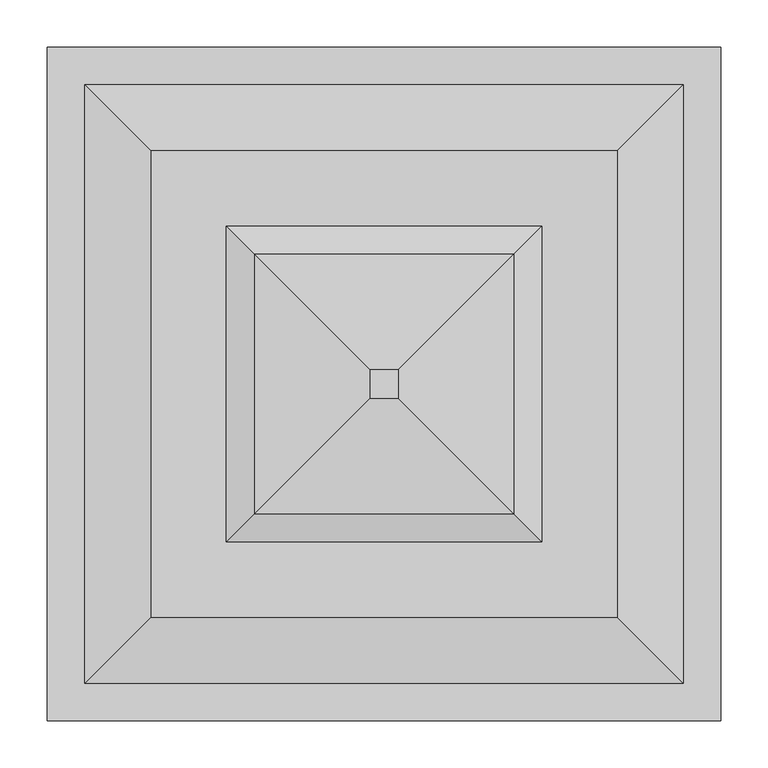
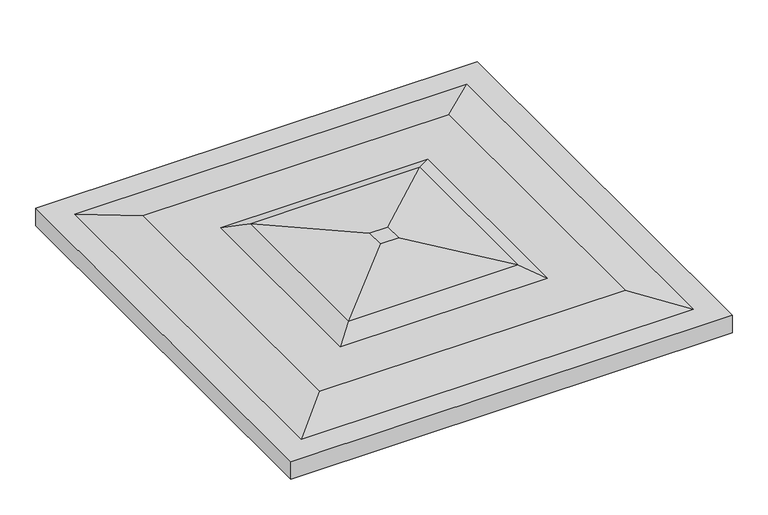
"""IFC4 building model written with IfcOpenShell, lengths in millimetres: proxy geometry."""

from ifc_helpers import new_model, si_unit, origin, place, context, project, spatial, faceted_brep, source, transform, mapped, element, save


def specialty_equipment_69d38c90(model_context):
    return source(origin(), model_context, "Body", "Brep", [
        faceted_brep([(-1515.0, 357.5, 30.0), (-800.0, 357.5, 30.0), (-800.0, 357.5, 0.0), (-1515.0, 357.5, 0.0), (-800.0, -357.5, 30.0), (-1515.0, -357.5, 30.0), (-1515.0, -357.5, 0.0), (-800.0, -357.5, 0.0), (-1475.0, 317.5, 30.0), (-1475.0, -317.5, 30.0), (-1405.0, -247.5, 45.0), (-1405.0, 247.5, 45.0), (-910.0, -247.5, 45.0), (-910.0, 247.5, 45.0), (-1325.0, 167.5, 45.0), (-990.0, 167.5, 45.0), (-990.0, -167.5, 45.0), (-1325.0, -167.5, 45.0), (-1295.0, -137.5, 60.0), (-1295.0, 137.5, 60.0), (-1172.5, -15.0, 75.0), (-1172.5, 15.0, 75.0), (-1142.5, -15.0, 75.0), (-1142.5, 15.0, 75.0), (-1020.0, -137.5, 60.0), (-1020.0, 137.5, 60.0), (-840.0, -317.5, 30.0), (-840.0, 317.5, 30.0)], [[[0, 1, 2, 3]], [[4, 5, 6, 7]], [[8, 9, 10, 11]], [[11, 10, 12, 13], [14, 15, 16, 17]], [[14, 17, 18, 19]], [[19, 18, 20, 21]], [[21, 20, 22, 23]], [[23, 22, 24, 25]], [[25, 24, 16, 15]], [[13, 12, 26, 27]], [[1, 0, 5, 4], [26, 9, 8, 27]], [[2, 1, 4, 7]], [[3, 2, 7, 6]], [[5, 0, 3, 6]], [[18, 24, 22, 20]], [[25, 19, 21, 23]], [[19, 25, 15, 14]], [[11, 13, 27, 8]], [[12, 10, 9, 26]], [[24, 18, 17, 16]]]),
    ])


if __name__ == "__main__":
    model = new_model("IFC4")
    model_context = context("Model", 3, world=origin())
    ifc_project = project(units=[si_unit("LENGTHUNIT", "METRE", prefix="MILLI")], contexts=[model_context])
    site = spatial("IfcSite", under=ifc_project)
    building = spatial("IfcBuilding", under=site)
    placement = place(None, origin())
    specialty_equipment_shape = specialty_equipment_69d38c90(model_context)
    element("IfcBuildingElementProxy", 1, Name="Specialty Equipment", at=placement, inside=building, context=model_context, shape_type="MappedRepresentation", body=[
        mapped(specialty_equipment_shape, transform((0.0, 0.0, 0.0), x_axis=(1.0, 0.0, 0.0), y_axis=(0.0, 1.0, 0.0), z_axis=(0.0, 0.0, 1.0))),
    ])
    save(model, "model.ifc")
